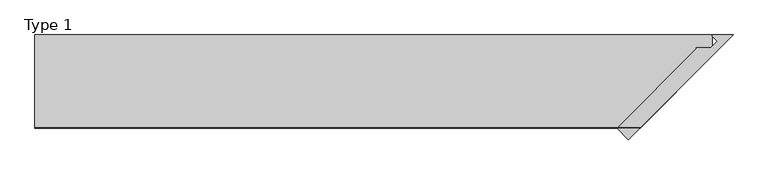
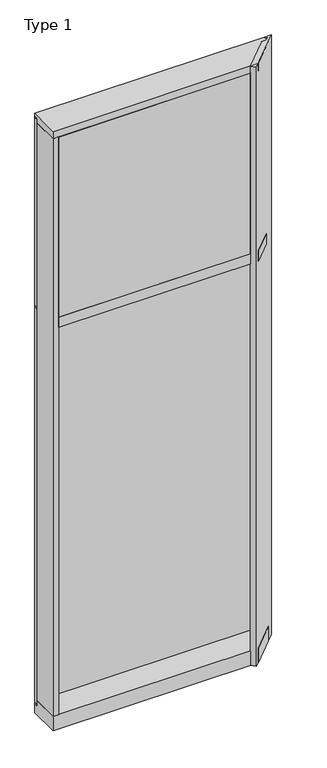
"""IFC4 building model written with IfcOpenShell, lengths in millimetres: plate geometry, Type 1."""

from ifc_helpers import new_model, si_unit, frame, origin, place, context, project, spatial, polyline, outline, extrude, faceted_brep, source, transform, mapped, element, save


def type_1_6a38f41d(model_context):
    return source(origin(), model_context, "Body", "SolidModel", [
        extrude(outline(polyline([(-667.295002, -155.9814), (-667.295002, 2.286), (-635.545002, 2.286), (-635.545002, -155.9814), (-667.295002, -155.9814)])), frame((0.0, 0.0, 31.75), z_axis=(0.0, 0.0, 1.0), x_axis=(1.0, 0.0, 0.0)), (0.0, 0.0, 1.0), 3543.3),
        extrude(outline(polyline([(-635.545002, -156.32684), (-635.545002, -48.6409999), (586.9040021, -48.6409999), (479.218162, -156.32684), (-635.545002, -156.32684)])), frame((0.0, 0.0, 2470.15), z_axis=(0.0, 0.0, 1.0), x_axis=(1.0, 0.0, 0.0)), (0.0, 0.0, 1.0), 1104.9984372),
        extrude(outline(polyline([(667.295002, 27.6881517), (667.295002, 11.2982336), (654.5960912, 11.2982336), (654.5960912, 27.6881517), (667.295002, 27.6881517)])), frame((0.0, 0.0, 2444.75), z_axis=(0.0, 0.0, 1.0), x_axis=(1.0, 0.0, 0.0)), (0.0, 0.0, 1.0), 1149.35),
        extrude(outline(polyline([(-654.5960912, 27.6881517), (-654.5960912, 11.2982336), (-667.295002, 11.2982336), (-667.295002, 27.6881517), (-654.5960912, 27.6881517)])), frame((0.0, 0.0, 2444.75), z_axis=(0.0, 0.0, 1.0), x_axis=(1.0, 0.0, 0.0)), (0.0, 0.0, 1.0), 1149.35),
        extrude(outline(polyline([(654.5960912, 27.686), (654.5960912, 2.286), (-654.5960912, 2.286), (-654.5960912, 27.686), (654.5960912, 27.686)])), frame((0.0, 0.0, 2444.75), z_axis=(0.0, 0.0, 1.0), x_axis=(1.0, 0.0, 0.0)), (0.0, 0.0, 1.0), 1149.35),
        extrude(outline(polyline([(667.295002, 27.6881517), (667.295002, 11.2982336), (654.5960912, 11.2982336), (654.5960912, 27.6881517), (667.295002, 27.6881517)])), frame((0.0, 0.0, 6.35), z_axis=(0.0, 0.0, 1.0), x_axis=(1.0, 0.0, 0.0)), (0.0, 0.0, 1.0), 2425.7),
        extrude(outline(polyline([(-654.5960912, 27.6881517), (-654.5960912, 11.2982336), (-667.295002, 11.2982336), (-667.295002, 27.6881517), (-654.5960912, 27.6881517)])), frame((0.0, 0.0, 6.35), z_axis=(0.0, 0.0, 1.0), x_axis=(1.0, 0.0, 0.0)), (0.0, 0.0, 1.0), 2425.7),
        extrude(outline(polyline([(654.5960912, 27.686), (654.5960912, 2.286), (-654.5960912, 2.286), (-654.5960912, 27.686), (654.5960912, 27.686)])), frame((0.0, 0.0, 6.35), z_axis=(0.0, 0.0, 1.0), x_axis=(1.0, 0.0, 0.0)), (0.0, 0.0, 1.0), 2425.7),
        extrude(outline(polyline([(667.295002, 27.686), (667.295002, 6.35), (-667.295002, 6.35), (-667.295002, 27.686), (667.295002, 27.686)])), frame((0.0, 0.0, 2432.05), z_axis=(0.0, 0.0, 1.0), x_axis=(1.0, 0.0, 0.0)), (0.0, 0.0, 1.0), 12.7),
        extrude(outline(polyline([(-635.545002, -155.4734), (-635.545002, 2.2859999), (635.545002, 2.2859999), (635.545002, -44.9023698), (524.9739719, -155.4734), (-635.545002, -155.4734)])), frame((0.0, 0.0, 2406.65), z_axis=(0.0, 0.0, 1.0), x_axis=(1.0, 0.0, 0.0)), (0.0, 0.0, 1.0), 63.5),
        faceted_brep([(-667.295002, 2.2859999, 31.75), (-667.295002, 2.2859999, -6.2983857), (-667.295002, 27.6858239, -6.2983857), (-667.295002, 27.6858239, -57.15), (-667.295002, -155.6004, -57.15), (-667.295002, -155.6004, 31.75), (667.295002, 27.6858239, -57.15), (667.295002, 27.6858239, -6.2983857), (667.295002, 2.2859999, -6.2983857), (667.295002, 2.2859999, 31.75), (667.295002, -13.1523698, 31.75), (667.295002, -13.1523698, -57.15), (524.8469719, -155.6004, -57.15), (524.8469719, -155.6004, 31.75)], [[[0, 1, 2, 3, 4, 5]], [[6, 7, 8, 9, 10, 11]], [[1, 0, 9, 8]], [[2, 1, 8, 7]], [[3, 2, 7, 6]], [[4, 3, 6, 11, 12]], [[5, 4, 12, 13]], [[0, 5, 13, 10, 9]], [[11, 10, 13, 12]]]),
        extrude(outline(polyline([(479.5643902, -155.981701), (635.5460912, 0.0), (635.5460912, 2.286), (664.031151, 2.286), (676.8345154, 15.0893645), (667.295002, 24.6288779), (667.295002, 27.6881517), (708.1355236, 27.6881517), (502.0150305, -178.4323413), (479.5643902, -155.981701)])), frame((0.0, 0.0, -57.15), z_axis=(0.0, 0.0, 1.0), x_axis=(1.0, 0.0, 0.0)), (0.0, 0.0, 1.0), 3676.65),
        faceted_brep([(667.295002, -13.1523698, 3575.6866239), (667.295002, -13.1523698, 3619.5), (525.0392306, -155.4081413, 3619.5), (524.846979, -155.6003929, 3575.6866239), (-667.295002, 27.686, 3619.5), (-667.295002, 27.686, 3601.4527933), (-667.295002, 2.286, 3601.4527933), (-667.295002, 2.286, 3575.6866239), (-667.295002, -155.6003929, 3575.6866239), (-667.295002, -155.4081413, 3619.5), (667.295002, 2.286, 3575.6866239), (667.295002, 2.286, 3601.4527933), (667.295002, 27.686, 3601.4527933), (667.295002, 27.686, 3619.5)], [[[0, 1, 2, 3]], [[4, 5, 6, 7, 8, 9]], [[10, 11, 12, 13, 1, 0]], [[5, 4, 13, 12]], [[6, 5, 12, 11]], [[7, 6, 11, 10]], [[8, 7, 10, 0, 3]], [[9, 8, 3, 2]], [[4, 9, 2, 1, 13]]]),
        extrude(outline(polyline([(-667.295002, 15.9510838), (-667.295002, 27.6859999), (667.295002, 27.6859999), (667.295002, 15.9510838), (-667.295002, 15.9510838)])), frame((0.0, 0.0, 3594.7366239), z_axis=(0.0, 0.0, 1.0), x_axis=(1.0, 0.0, 0.0)), (0.0, 0.0, 1.0), 6.7161694),
        extrude(outline(polyline([(-667.295002, 5.0946564), (-667.295002, 27.6881517), (667.295002, 27.6881517), (667.295002, 5.0946564), (-667.295002, 5.0946564)])), frame((0.0, 0.0, -6.2984797), z_axis=(0.0, 0.0, 1.0), x_axis=(1.0, 0.0, 0.0)), (0.0, 0.0, 1.0), 12.6484797),
    ])


if __name__ == "__main__":
    model = new_model("IFC4")
    model_context = context("Model", 3, world=origin())
    ifc_project = project(units=[si_unit("LENGTHUNIT", "METRE", prefix="MILLI")], contexts=[model_context])
    site = spatial("IfcSite", under=ifc_project)
    building = spatial("IfcBuilding", under=site)
    placement = place(None, origin())
    type_1_shape = type_1_6a38f41d(model_context)
    element("IfcPlate", 1, ObjectType="Type 1", at=placement, inside=building, context=model_context, shape_type="MappedRepresentation", body=[
        mapped(type_1_shape, transform((0.0, 0.0, 0.0), x_axis=(1.0, 0.0, 0.0), y_axis=(0.0, 1.0, 0.0), z_axis=(0.0, 0.0, 1.0))),
    ])
    save(model, "model.ifc")
